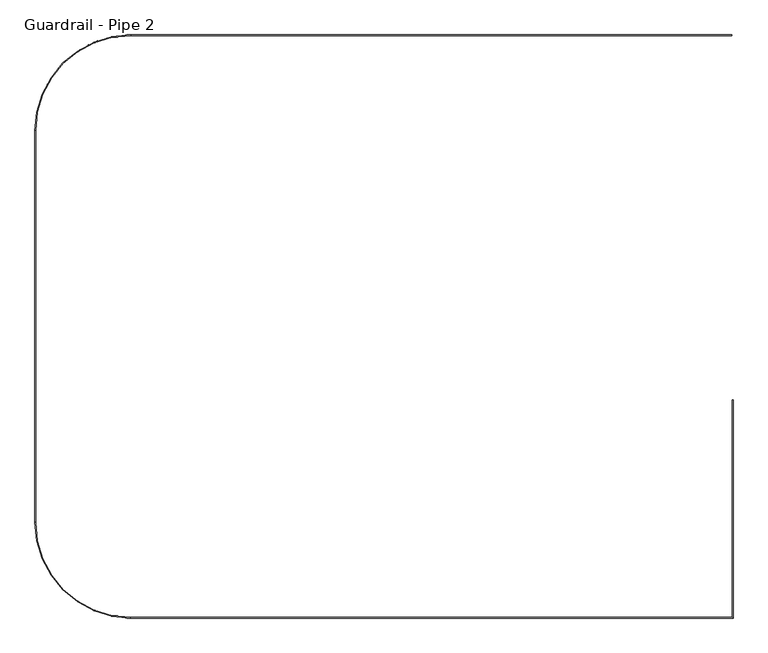
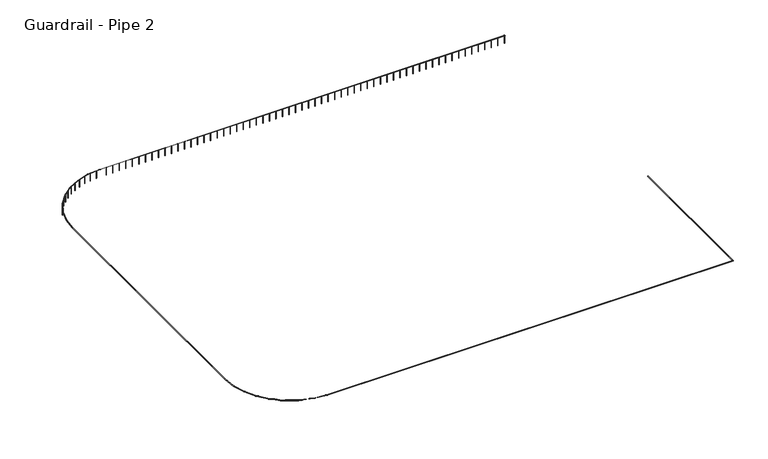
"""IFC4 building model written with IfcOpenShell, lengths in millimetres: railing geometry, Guardrail - Pipe 2."""

from ifc_helpers import new_model, si_unit, point, frame, frame_2d, origin, place, context, project, spatial, circle_curve, ellipse_curve, trimmed, segment, composite_curve, outline, extrude, source, transform, mapped, element, save
from ifc_brep_helpers import plane_surface, cylinder_surface, revolved_surface, advanced_brep


def guardrail_pipe_2_62cb1b1b(model_context):
    return source(origin(), model_context, "Body", "SolidModel", [
        advanced_brep(
        [(242029.0025869, -519259.3580223, 5314.95), (242067.1025869, -519297.4580223, 5314.95), (204125.852587, -519297.4580223, 5314.95), (204125.852587, -519259.3580223, 5314.95), (198125.1025869, -513258.6080223, 5314.95), (198087.0025869, -513258.6080223, 5314.95), (198087.0025869, -488569.8080224, 5314.95), (198125.1025869, -488569.8080224, 5314.95), (204125.852587, -482569.0580223, 5314.95), (204125.852587, -482530.9580223, 5314.95), (241971.8525869, -482530.9580223, 5314.95), (241971.8525869, -482569.0580223, 5314.95), (242067.1025869, -505548.1205223, 5314.95), (242029.0025869, -505548.1205223, 5314.95)],
        [
            (0, 1, ellipse_curve(frame((242048.0525869, -519278.4080223, 5314.95), z_axis=(-0.7071067811865498, -0.7071067811865451, 0.0), x_axis=(0.7071067811865452, -0.7071067811865498, 0.0)), 26.9407684, 19.05)),
            (1, 2),
            (2, 3, circle_curve(frame((204125.852587, -519278.4080223, 5314.95), z_axis=(1.0, 0.0, 0.0), x_axis=(0.0, 1.0, 0.0)), 19.05)),
            (3, 0),
            (1, 0, ellipse_curve(frame((242048.0525869, -519278.4080223, 5314.95), z_axis=(-0.7071067811865498, -0.7071067811865451, 0.0), x_axis=(0.7071067811865452, -0.7071067811865498, 0.0)), 26.9407684, 19.05)),
            (3, 2, circle_curve(frame((204125.852587, -519278.4080223, 5314.95), z_axis=(1.0, 0.0, 0.0), x_axis=(0.0, 1.0, 0.0)), 19.05)),
            (4, 3, circle_curve(frame((204125.852587, -513258.6080223, 5314.95), z_axis=(0.0, 0.0, 1.0), x_axis=(0.0, -1.0, 0.0)), 6000.75)),
            (2, 5, circle_curve(frame((204125.852587, -513258.6080223, 5314.95), z_axis=(0.0, 0.0, -1.0), x_axis=(0.0, -1.0, 0.0)), 6038.85)),
            (5, 4, circle_curve(frame((198106.0525869, -513258.6080223, 5314.95), z_axis=(0.0, -1.0, 0.0), x_axis=(1.0, 0.0, 0.0)), 19.05)),
            (4, 5, circle_curve(frame((198106.0525869, -513258.6080223, 5314.95), z_axis=(0.0, -1.0, 0.0), x_axis=(1.0, 0.0, 0.0)), 19.05)),
            (5, 6),
            (6, 7, circle_curve(frame((198106.0525869, -488569.8080224, 5314.95), z_axis=(0.0, -1.0, 0.0), x_axis=(1.0, 0.0, 0.0)), 19.05)),
            (7, 4),
            (7, 6, circle_curve(frame((198106.0525869, -488569.8080224, 5314.95), z_axis=(0.0, -1.0, 0.0), x_axis=(1.0, 0.0, 0.0)), 19.05)),
            (8, 7, circle_curve(frame((204125.852587, -488569.8080224, 5314.95), z_axis=(0.0, 0.0, 1.0), x_axis=(-1.0, 0.0, 0.0)), 6000.75)),
            (6, 9, circle_curve(frame((204125.852587, -488569.8080224, 5314.95), z_axis=(0.0, 0.0, -1.0), x_axis=(-1.0, 0.0, 0.0)), 6038.85)),
            (9, 8, circle_curve(frame((204125.852587, -482550.0080223, 5314.95), z_axis=(-1.0, 0.0, 0.0), x_axis=(0.0, -1.0, 0.0)), 19.05)),
            (8, 9, circle_curve(frame((204125.852587, -482550.0080223, 5314.95), z_axis=(-1.0, 0.0, 0.0), x_axis=(0.0, -1.0, 0.0)), 19.05)),
            (10, 11, circle_curve(frame((241971.8525869, -482550.0080223, 5314.95), z_axis=(1.0, 0.0, 0.0), x_axis=(0.0, -1.0, 0.0)), 19.05)),
            (11, 10, circle_curve(frame((241971.8525869, -482550.0080223, 5314.95), z_axis=(1.0, 0.0, 0.0), x_axis=(0.0, -1.0, 0.0)), 19.05)),
            (9, 10),
            (11, 8),
            (12, 13, circle_curve(frame((242048.0525869, -505548.1205223, 5314.95), z_axis=(0.0, 1.0, 0.0), x_axis=(-1.0, 0.0, 0.0)), 19.05)),
            (13, 12, circle_curve(frame((242048.0525869, -505548.1205223, 5314.95), z_axis=(0.0, 1.0, 0.0), x_axis=(-1.0, 0.0, 0.0)), 19.05)),
            (12, 1),
            (0, 13),
        ],
        [
            cylinder_surface(frame((242048.0525869, -519278.4080223, 5314.95), z_axis=(1.0, 0.0, 0.0), x_axis=(0.0, 1.0, 0.0)), 19.05),
            revolved_surface(trimmed(ellipse_curve(frame((204125.852587, -519278.4080223, 5314.95), z_axis=(1.0, 0.0, 0.0), x_axis=(0.0, 1.0, 0.0)), 19.05, 19.05), [point((204125.852587, -519297.4580223, 5314.95))], [point((204125.852587, -519259.3580223, 5314.95))], True, "CARTESIAN"), (204125.852587, -513258.6080223, 5334.0), (0.0, 0.0, -1.0)),
            revolved_surface(trimmed(ellipse_curve(frame((204125.852587, -519278.4080223, 5314.95), z_axis=(1.0, 0.0, 0.0), x_axis=(0.0, 1.0, 0.0)), 19.05, 19.05), [point((204125.852587, -519259.3580223, 5314.95))], [point((204125.852587, -519297.4580223, 5314.95))], True, "CARTESIAN"), (204125.852587, -513258.6080223, 5334.0), (0.0, 0.0, -1.0)),
            cylinder_surface(frame((198106.0525869, -513258.6080223, 5314.95), z_axis=(0.0, -1.0, 0.0), x_axis=(1.0, 0.0, 0.0)), 19.05),
            revolved_surface(trimmed(ellipse_curve(frame((198106.0525869, -488569.8080224, 5314.95), z_axis=(0.0, -1.0, 0.0), x_axis=(1.0, 0.0, 0.0)), 19.05, 19.05), [point((198087.0025869, -488569.8080224, 5314.95))], [point((198125.1025869, -488569.8080224, 5314.95))], True, "CARTESIAN"), (204125.852587, -488569.8080224, 5334.0), (0.0, 0.0, -1.0)),
            revolved_surface(trimmed(ellipse_curve(frame((198106.0525869, -488569.8080224, 5314.95), z_axis=(0.0, -1.0, 0.0), x_axis=(1.0, 0.0, 0.0)), 19.05, 19.05), [point((198125.1025869, -488569.8080224, 5314.95))], [point((198087.0025869, -488569.8080224, 5314.95))], True, "CARTESIAN"), (204125.852587, -488569.8080224, 5334.0), (0.0, 0.0, -1.0)),
            plane_surface(frame((241971.8525869, -482550.0080223, 5334.0), z_axis=(1.0, 0.0, 0.0), x_axis=(0.0, 1.0, 0.0))),
            cylinder_surface(frame((204125.852587, -482550.0080223, 5314.95), z_axis=(-1.0, 0.0, 0.0), x_axis=(0.0, -1.0, 0.0)), 19.05),
            plane_surface(frame((242048.0525869, -505548.1205223, 5334.0), z_axis=(0.0, 1.0, 0.0), x_axis=(0.0, 0.0, -1.0))),
            cylinder_surface(frame((242048.0525869, -505548.1205223, 5314.95), z_axis=(0.0, 1.0, 0.0), x_axis=(-1.0, 0.0, 0.0)), 19.05),
        ],
        [
            (0, [[1, 2, 3, 4]]),
            (0, [[5, -4, 6, -2]]),
            (1, [[7, -3, 8, 9]]),
            (2, [[-8, -6, -7, 10]]),
            (3, [[-9, 11, 12, 13]]),
            (3, [[-10, -13, 14, -11]]),
            (4, [[15, -12, 16, 17]]),
            (5, [[-16, -14, -15, 18]]),
            (6, [[19, 20]]),
            (7, [[-17, 21, -20, 22]]),
            (7, [[-18, -22, -19, -21]]),
            (8, [[23, 24]]),
            (9, [[-23, 25, -1, 26]]),
            (9, [[-24, -26, -5, -25]]),
        ],
    ),
        extrude(outline(composite_curve([segment(trimmed(circle_curve(frame_2d((241921.052587, -482550.0080223)), 12.7), [point((241921.052587, -482537.3080223))], [point((241921.052587, -482562.7080223))], False, "CARTESIAN"), True, "CONTINUOUS"), segment(trimmed(circle_curve(frame_2d((241921.052587, -482550.0080223)), 12.7), [point((241921.052587, -482562.7080223))], [point((241921.052587, -482537.3080223))], False, "CARTESIAN"), True, "CONTINUOUS")], self_intersect=False)), frame((0.0, 0.0, 4572.0), z_axis=(0.0, 0.0, 1.0), x_axis=(1.0, 0.0, 0.0)), (0.0, 0.0, 1.0), 723.9),
        extrude(outline(composite_curve([segment(trimmed(circle_curve(frame_2d((241311.452587, -482550.0080223)), 12.7), [point((241311.452587, -482537.3080223))], [point((241311.452587, -482562.7080223))], False, "CARTESIAN"), True, "CONTINUOUS"), segment(trimmed(circle_curve(frame_2d((241311.452587, -482550.0080223)), 12.7), [point((241311.452587, -482562.7080223))], [point((241311.452587, -482537.3080223))], False, "CARTESIAN"), True, "CONTINUOUS")], self_intersect=False)), frame((0.0, 0.0, 4572.0), z_axis=(0.0, 0.0, 1.0), x_axis=(1.0, 0.0, 0.0)), (0.0, 0.0, 1.0), 723.9),
        extrude(outline(composite_curve([segment(trimmed(circle_curve(frame_2d((240701.852587, -482550.0080223)), 12.7), [point((240701.852587, -482537.3080223))], [point((240701.852587, -482562.7080223))], False, "CARTESIAN"), True, "CONTINUOUS"), segment(trimmed(circle_curve(frame_2d((240701.852587, -482550.0080223)), 12.7), [point((240701.852587, -482562.7080223))], [point((240701.852587, -482537.3080223))], False, "CARTESIAN"), True, "CONTINUOUS")], self_intersect=False)), frame((0.0, 0.0, 4572.0), z_axis=(0.0, 0.0, 1.0), x_axis=(1.0, 0.0, 0.0)), (0.0, 0.0, 1.0), 723.9),
        extrude(outline(composite_curve([segment(trimmed(circle_curve(frame_2d((240092.252587, -482550.0080223)), 12.7), [point((240092.252587, -482537.3080223))], [point((240092.252587, -482562.7080223))], False, "CARTESIAN"), True, "CONTINUOUS"), segment(trimmed(circle_curve(frame_2d((240092.252587, -482550.0080223)), 12.7), [point((240092.252587, -482562.7080223))], [point((240092.252587, -482537.3080223))], False, "CARTESIAN"), True, "CONTINUOUS")], self_intersect=False)), frame((0.0, 0.0, 4572.0), z_axis=(0.0, 0.0, 1.0), x_axis=(1.0, 0.0, 0.0)), (0.0, 0.0, 1.0), 723.9),
        extrude(outline(composite_curve([segment(trimmed(circle_curve(frame_2d((239482.652587, -482550.0080223)), 12.7), [point((239482.652587, -482537.3080223))], [point((239482.652587, -482562.7080223))], False, "CARTESIAN"), True, "CONTINUOUS"), segment(trimmed(circle_curve(frame_2d((239482.652587, -482550.0080223)), 12.7), [point((239482.652587, -482562.7080223))], [point((239482.652587, -482537.3080223))], False, "CARTESIAN"), True, "CONTINUOUS")], self_intersect=False)), frame((0.0, 0.0, 4572.0), z_axis=(0.0, 0.0, 1.0), x_axis=(1.0, 0.0, 0.0)), (0.0, 0.0, 1.0), 723.9),
        extrude(outline(composite_curve([segment(trimmed(circle_curve(frame_2d((238873.052587, -482550.0080223)), 12.7), [point((238873.052587, -482537.3080223))], [point((238873.052587, -482562.7080223))], False, "CARTESIAN"), True, "CONTINUOUS"), segment(trimmed(circle_curve(frame_2d((238873.052587, -482550.0080223)), 12.7), [point((238873.052587, -482562.7080223))], [point((238873.052587, -482537.3080223))], False, "CARTESIAN"), True, "CONTINUOUS")], self_intersect=False)), frame((0.0, 0.0, 4572.0), z_axis=(0.0, 0.0, 1.0), x_axis=(1.0, 0.0, 0.0)), (0.0, 0.0, 1.0), 723.9),
        extrude(outline(composite_curve([segment(trimmed(circle_curve(frame_2d((238263.452587, -482550.0080223)), 12.7), [point((238263.452587, -482537.3080223))], [point((238263.452587, -482562.7080223))], False, "CARTESIAN"), True, "CONTINUOUS"), segment(trimmed(circle_curve(frame_2d((238263.452587, -482550.0080223)), 12.7), [point((238263.452587, -482562.7080223))], [point((238263.452587, -482537.3080223))], False, "CARTESIAN"), True, "CONTINUOUS")], self_intersect=False)), frame((0.0, 0.0, 4572.0), z_axis=(0.0, 0.0, 1.0), x_axis=(1.0, 0.0, 0.0)), (0.0, 0.0, 1.0), 723.9),
        extrude(outline(composite_curve([segment(trimmed(circle_curve(frame_2d((237653.852587, -482550.0080223)), 12.7), [point((237653.852587, -482537.3080223))], [point((237653.852587, -482562.7080223))], False, "CARTESIAN"), True, "CONTINUOUS"), segment(trimmed(circle_curve(frame_2d((237653.852587, -482550.0080223)), 12.7), [point((237653.852587, -482562.7080223))], [point((237653.852587, -482537.3080223))], False, "CARTESIAN"), True, "CONTINUOUS")], self_intersect=False)), frame((0.0, 0.0, 4572.0), z_axis=(0.0, 0.0, 1.0), x_axis=(1.0, 0.0, 0.0)), (0.0, 0.0, 1.0), 723.9),
        extrude(outline(composite_curve([segment(trimmed(circle_curve(frame_2d((237044.252587, -482550.0080223)), 12.7), [point((237044.252587, -482537.3080223))], [point((237044.252587, -482562.7080223))], False, "CARTESIAN"), True, "CONTINUOUS"), segment(trimmed(circle_curve(frame_2d((237044.252587, -482550.0080223)), 12.7), [point((237044.252587, -482562.7080223))], [point((237044.252587, -482537.3080223))], False, "CARTESIAN"), True, "CONTINUOUS")], self_intersect=False)), frame((0.0, 0.0, 4572.0), z_axis=(0.0, 0.0, 1.0), x_axis=(1.0, 0.0, 0.0)), (0.0, 0.0, 1.0), 723.9),
        extrude(outline(composite_curve([segment(trimmed(circle_curve(frame_2d((236434.652587, -482550.0080223)), 12.7), [point((236434.652587, -482537.3080223))], [point((236434.652587, -482562.7080223))], False, "CARTESIAN"), True, "CONTINUOUS"), segment(trimmed(circle_curve(frame_2d((236434.652587, -482550.0080223)), 12.7), [point((236434.652587, -482562.7080223))], [point((236434.652587, -482537.3080223))], False, "CARTESIAN"), True, "CONTINUOUS")], self_intersect=False)), frame((0.0, 0.0, 4572.0), z_axis=(0.0, 0.0, 1.0), x_axis=(1.0, 0.0, 0.0)), (0.0, 0.0, 1.0), 723.9),
        extrude(outline(composite_curve([segment(trimmed(circle_curve(frame_2d((235825.052587, -482550.0080223)), 12.7), [point((235825.052587, -482537.3080223))], [point((235825.052587, -482562.7080223))], False, "CARTESIAN"), True, "CONTINUOUS"), segment(trimmed(circle_curve(frame_2d((235825.052587, -482550.0080223)), 12.7), [point((235825.052587, -482562.7080223))], [point((235825.052587, -482537.3080223))], False, "CARTESIAN"), True, "CONTINUOUS")], self_intersect=False)), frame((0.0, 0.0, 4572.0), z_axis=(0.0, 0.0, 1.0), x_axis=(1.0, 0.0, 0.0)), (0.0, 0.0, 1.0), 723.9),
        extrude(outline(composite_curve([segment(trimmed(circle_curve(frame_2d((235215.452587, -482550.0080223)), 12.7), [point((235215.452587, -482537.3080223))], [point((235215.452587, -482562.7080223))], False, "CARTESIAN"), True, "CONTINUOUS"), segment(trimmed(circle_curve(frame_2d((235215.452587, -482550.0080223)), 12.7), [point((235215.452587, -482562.7080223))], [point((235215.452587, -482537.3080223))], False, "CARTESIAN"), True, "CONTINUOUS")], self_intersect=False)), frame((0.0, 0.0, 4572.0), z_axis=(0.0, 0.0, 1.0), x_axis=(1.0, 0.0, 0.0)), (0.0, 0.0, 1.0), 723.9),
        extrude(outline(composite_curve([segment(trimmed(circle_curve(frame_2d((234605.852587, -482550.0080223)), 12.7), [point((234605.852587, -482537.3080223))], [point((234605.852587, -482562.7080223))], False, "CARTESIAN"), True, "CONTINUOUS"), segment(trimmed(circle_curve(frame_2d((234605.852587, -482550.0080223)), 12.7), [point((234605.852587, -482562.7080223))], [point((234605.852587, -482537.3080223))], False, "CARTESIAN"), True, "CONTINUOUS")], self_intersect=False)), frame((0.0, 0.0, 4572.0), z_axis=(0.0, 0.0, 1.0), x_axis=(1.0, 0.0, 0.0)), (0.0, 0.0, 1.0), 723.9),
        extrude(outline(composite_curve([segment(trimmed(circle_curve(frame_2d((233996.252587, -482550.0080223)), 12.7), [point((233996.252587, -482537.3080223))], [point((233996.252587, -482562.7080223))], False, "CARTESIAN"), True, "CONTINUOUS"), segment(trimmed(circle_curve(frame_2d((233996.252587, -482550.0080223)), 12.7), [point((233996.252587, -482562.7080223))], [point((233996.252587, -482537.3080223))], False, "CARTESIAN"), True, "CONTINUOUS")], self_intersect=False)), frame((0.0, 0.0, 4572.0), z_axis=(0.0, 0.0, 1.0), x_axis=(1.0, 0.0, 0.0)), (0.0, 0.0, 1.0), 723.9),
        extrude(outline(composite_curve([segment(trimmed(circle_curve(frame_2d((233386.652587, -482550.0080223)), 12.7), [point((233386.652587, -482537.3080223))], [point((233386.652587, -482562.7080223))], False, "CARTESIAN"), True, "CONTINUOUS"), segment(trimmed(circle_curve(frame_2d((233386.652587, -482550.0080223)), 12.7), [point((233386.652587, -482562.7080223))], [point((233386.652587, -482537.3080223))], False, "CARTESIAN"), True, "CONTINUOUS")], self_intersect=False)), frame((0.0, 0.0, 4572.0), z_axis=(0.0, 0.0, 1.0), x_axis=(1.0, 0.0, 0.0)), (0.0, 0.0, 1.0), 723.9),
        extrude(outline(composite_curve([segment(trimmed(circle_curve(frame_2d((232777.052587, -482550.0080223)), 12.7), [point((232777.052587, -482537.3080223))], [point((232777.052587, -482562.7080223))], False, "CARTESIAN"), True, "CONTINUOUS"), segment(trimmed(circle_curve(frame_2d((232777.052587, -482550.0080223)), 12.7), [point((232777.052587, -482562.7080223))], [point((232777.052587, -482537.3080223))], False, "CARTESIAN"), True, "CONTINUOUS")], self_intersect=False)), frame((0.0, 0.0, 4572.0), z_axis=(0.0, 0.0, 1.0), x_axis=(1.0, 0.0, 0.0)), (0.0, 0.0, 1.0), 723.9),
        extrude(outline(composite_curve([segment(trimmed(circle_curve(frame_2d((232167.452587, -482550.0080223)), 12.7), [point((232167.452587, -482537.3080223))], [point((232167.452587, -482562.7080223))], False, "CARTESIAN"), True, "CONTINUOUS"), segment(trimmed(circle_curve(frame_2d((232167.452587, -482550.0080223)), 12.7), [point((232167.452587, -482562.7080223))], [point((232167.452587, -482537.3080223))], False, "CARTESIAN"), True, "CONTINUOUS")], self_intersect=False)), frame((0.0, 0.0, 4572.0), z_axis=(0.0, 0.0, 1.0), x_axis=(1.0, 0.0, 0.0)), (0.0, 0.0, 1.0), 723.9),
        extrude(outline(composite_curve([segment(trimmed(circle_curve(frame_2d((231557.852587, -482550.0080223)), 12.7), [point((231557.852587, -482537.3080223))], [point((231557.852587, -482562.7080223))], False, "CARTESIAN"), True, "CONTINUOUS"), segment(trimmed(circle_curve(frame_2d((231557.852587, -482550.0080223)), 12.7), [point((231557.852587, -482562.7080223))], [point((231557.852587, -482537.3080223))], False, "CARTESIAN"), True, "CONTINUOUS")], self_intersect=False)), frame((0.0, 0.0, 4572.0), z_axis=(0.0, 0.0, 1.0), x_axis=(1.0, 0.0, 0.0)), (0.0, 0.0, 1.0), 723.9),
        extrude(outline(composite_curve([segment(trimmed(circle_curve(frame_2d((230948.252587, -482550.0080223)), 12.7), [point((230948.252587, -482537.3080223))], [point((230948.252587, -482562.7080223))], False, "CARTESIAN"), True, "CONTINUOUS"), segment(trimmed(circle_curve(frame_2d((230948.252587, -482550.0080223)), 12.7), [point((230948.252587, -482562.7080223))], [point((230948.252587, -482537.3080223))], False, "CARTESIAN"), True, "CONTINUOUS")], self_intersect=False)), frame((0.0, 0.0, 4572.0), z_axis=(0.0, 0.0, 1.0), x_axis=(1.0, 0.0, 0.0)), (0.0, 0.0, 1.0), 723.9),
        extrude(outline(composite_curve([segment(trimmed(circle_curve(frame_2d((230338.652587, -482550.0080223)), 12.7), [point((230338.652587, -482537.3080223))], [point((230338.652587, -482562.7080223))], False, "CARTESIAN"), True, "CONTINUOUS"), segment(trimmed(circle_curve(frame_2d((230338.652587, -482550.0080223)), 12.7), [point((230338.652587, -482562.7080223))], [point((230338.652587, -482537.3080223))], False, "CARTESIAN"), True, "CONTINUOUS")], self_intersect=False)), frame((0.0, 0.0, 4572.0), z_axis=(0.0, 0.0, 1.0), x_axis=(1.0, 0.0, 0.0)), (0.0, 0.0, 1.0), 723.9),
        extrude(outline(composite_curve([segment(trimmed(circle_curve(frame_2d((229729.052587, -482550.0080223)), 12.7), [point((229729.052587, -482537.3080223))], [point((229729.052587, -482562.7080223))], False, "CARTESIAN"), True, "CONTINUOUS"), segment(trimmed(circle_curve(frame_2d((229729.052587, -482550.0080223)), 12.7), [point((229729.052587, -482562.7080223))], [point((229729.052587, -482537.3080223))], False, "CARTESIAN"), True, "CONTINUOUS")], self_intersect=False)), frame((0.0, 0.0, 4572.0), z_axis=(0.0, 0.0, 1.0), x_axis=(1.0, 0.0, 0.0)), (0.0, 0.0, 1.0), 723.9),
        extrude(outline(composite_curve([segment(trimmed(circle_curve(frame_2d((229119.452587, -482550.0080223)), 12.7), [point((229119.452587, -482537.3080223))], [point((229119.452587, -482562.7080223))], False, "CARTESIAN"), True, "CONTINUOUS"), segment(trimmed(circle_curve(frame_2d((229119.452587, -482550.0080223)), 12.7), [point((229119.452587, -482562.7080223))], [point((229119.452587, -482537.3080223))], False, "CARTESIAN"), True, "CONTINUOUS")], self_intersect=False)), frame((0.0, 0.0, 4572.0), z_axis=(0.0, 0.0, 1.0), x_axis=(1.0, 0.0, 0.0)), (0.0, 0.0, 1.0), 723.9),
        extrude(outline(composite_curve([segment(trimmed(circle_curve(frame_2d((228509.852587, -482550.0080223)), 12.7), [point((228509.852587, -482537.3080223))], [point((228509.852587, -482562.7080223))], False, "CARTESIAN"), True, "CONTINUOUS"), segment(trimmed(circle_curve(frame_2d((228509.852587, -482550.0080223)), 12.7), [point((228509.852587, -482562.7080223))], [point((228509.852587, -482537.3080223))], False, "CARTESIAN"), True, "CONTINUOUS")], self_intersect=False)), frame((0.0, 0.0, 4572.0), z_axis=(0.0, 0.0, 1.0), x_axis=(1.0, 0.0, 0.0)), (0.0, 0.0, 1.0), 723.9),
        extrude(outline(composite_curve([segment(trimmed(circle_curve(frame_2d((227900.252587, -482550.0080223)), 12.7), [point((227900.252587, -482537.3080223))], [point((227900.252587, -482562.7080223))], False, "CARTESIAN"), True, "CONTINUOUS"), segment(trimmed(circle_curve(frame_2d((227900.252587, -482550.0080223)), 12.7), [point((227900.252587, -482562.7080223))], [point((227900.252587, -482537.3080223))], False, "CARTESIAN"), True, "CONTINUOUS")], self_intersect=False)), frame((0.0, 0.0, 4572.0), z_axis=(0.0, 0.0, 1.0), x_axis=(1.0, 0.0, 0.0)), (0.0, 0.0, 1.0), 723.9),
        extrude(outline(composite_curve([segment(trimmed(circle_curve(frame_2d((227290.652587, -482550.0080223)), 12.7), [point((227290.652587, -482537.3080223))], [point((227290.652587, -482562.7080223))], False, "CARTESIAN"), True, "CONTINUOUS"), segment(trimmed(circle_curve(frame_2d((227290.652587, -482550.0080223)), 12.7), [point((227290.652587, -482562.7080223))], [point((227290.652587, -482537.3080223))], False, "CARTESIAN"), True, "CONTINUOUS")], self_intersect=False)), frame((0.0, 0.0, 4572.0), z_axis=(0.0, 0.0, 1.0), x_axis=(1.0, 0.0, 0.0)), (0.0, 0.0, 1.0), 723.9),
        extrude(outline(composite_curve([segment(trimmed(circle_curve(frame_2d((226681.052587, -482550.0080223)), 12.7), [point((226681.052587, -482537.3080223))], [point((226681.052587, -482562.7080223))], False, "CARTESIAN"), True, "CONTINUOUS"), segment(trimmed(circle_curve(frame_2d((226681.052587, -482550.0080223)), 12.7), [point((226681.052587, -482562.7080223))], [point((226681.052587, -482537.3080223))], False, "CARTESIAN"), True, "CONTINUOUS")], self_intersect=False)), frame((0.0, 0.0, 4572.0), z_axis=(0.0, 0.0, 1.0), x_axis=(1.0, 0.0, 0.0)), (0.0, 0.0, 1.0), 723.9),
        extrude(outline(composite_curve([segment(trimmed(circle_curve(frame_2d((226071.452587, -482550.0080223)), 12.7), [point((226071.452587, -482537.3080223))], [point((226071.452587, -482562.7080223))], False, "CARTESIAN"), True, "CONTINUOUS"), segment(trimmed(circle_curve(frame_2d((226071.452587, -482550.0080223)), 12.7), [point((226071.452587, -482562.7080223))], [point((226071.452587, -482537.3080223))], False, "CARTESIAN"), True, "CONTINUOUS")], self_intersect=False)), frame((0.0, 0.0, 4572.0), z_axis=(0.0, 0.0, 1.0), x_axis=(1.0, 0.0, 0.0)), (0.0, 0.0, 1.0), 723.9),
        extrude(outline(composite_curve([segment(trimmed(circle_curve(frame_2d((225461.852587, -482550.0080223)), 12.7), [point((225461.852587, -482537.3080223))], [point((225461.852587, -482562.7080223))], False, "CARTESIAN"), True, "CONTINUOUS"), segment(trimmed(circle_curve(frame_2d((225461.852587, -482550.0080223)), 12.7), [point((225461.852587, -482562.7080223))], [point((225461.852587, -482537.3080223))], False, "CARTESIAN"), True, "CONTINUOUS")], self_intersect=False)), frame((0.0, 0.0, 4572.0), z_axis=(0.0, 0.0, 1.0), x_axis=(1.0, 0.0, 0.0)), (0.0, 0.0, 1.0), 723.9),
        extrude(outline(composite_curve([segment(trimmed(circle_curve(frame_2d((224852.252587, -482550.0080223)), 12.7), [point((224852.252587, -482537.3080223))], [point((224852.252587, -482562.7080223))], False, "CARTESIAN"), True, "CONTINUOUS"), segment(trimmed(circle_curve(frame_2d((224852.252587, -482550.0080223)), 12.7), [point((224852.252587, -482562.7080223))], [point((224852.252587, -482537.3080223))], False, "CARTESIAN"), True, "CONTINUOUS")], self_intersect=False)), frame((0.0, 0.0, 4572.0), z_axis=(0.0, 0.0, 1.0), x_axis=(1.0, 0.0, 0.0)), (0.0, 0.0, 1.0), 723.9),
        extrude(outline(composite_curve([segment(trimmed(circle_curve(frame_2d((224242.652587, -482550.0080223)), 12.7), [point((224242.652587, -482537.3080223))], [point((224242.652587, -482562.7080223))], False, "CARTESIAN"), True, "CONTINUOUS"), segment(trimmed(circle_curve(frame_2d((224242.652587, -482550.0080223)), 12.7), [point((224242.652587, -482562.7080223))], [point((224242.652587, -482537.3080223))], False, "CARTESIAN"), True, "CONTINUOUS")], self_intersect=False)), frame((0.0, 0.0, 4572.0), z_axis=(0.0, 0.0, 1.0), x_axis=(1.0, 0.0, 0.0)), (0.0, 0.0, 1.0), 723.9),
        extrude(outline(composite_curve([segment(trimmed(circle_curve(frame_2d((223633.052587, -482550.0080223)), 12.7), [point((223633.052587, -482537.3080223))], [point((223633.052587, -482562.7080223))], False, "CARTESIAN"), True, "CONTINUOUS"), segment(trimmed(circle_curve(frame_2d((223633.052587, -482550.0080223)), 12.7), [point((223633.052587, -482562.7080223))], [point((223633.052587, -482537.3080223))], False, "CARTESIAN"), True, "CONTINUOUS")], self_intersect=False)), frame((0.0, 0.0, 4572.0), z_axis=(0.0, 0.0, 1.0), x_axis=(1.0, 0.0, 0.0)), (0.0, 0.0, 1.0), 723.9),
        extrude(outline(composite_curve([segment(trimmed(circle_curve(frame_2d((223023.452587, -482550.0080223)), 12.7), [point((223023.452587, -482537.3080223))], [point((223023.452587, -482562.7080223))], False, "CARTESIAN"), True, "CONTINUOUS"), segment(trimmed(circle_curve(frame_2d((223023.452587, -482550.0080223)), 12.7), [point((223023.452587, -482562.7080223))], [point((223023.452587, -482537.3080223))], False, "CARTESIAN"), True, "CONTINUOUS")], self_intersect=False)), frame((0.0, 0.0, 4572.0), z_axis=(0.0, 0.0, 1.0), x_axis=(1.0, 0.0, 0.0)), (0.0, 0.0, 1.0), 723.9),
        extrude(outline(composite_curve([segment(trimmed(circle_curve(frame_2d((222413.852587, -482550.0080223)), 12.7), [point((222413.852587, -482537.3080223))], [point((222413.852587, -482562.7080223))], False, "CARTESIAN"), True, "CONTINUOUS"), segment(trimmed(circle_curve(frame_2d((222413.852587, -482550.0080223)), 12.7), [point((222413.852587, -482562.7080223))], [point((222413.852587, -482537.3080223))], False, "CARTESIAN"), True, "CONTINUOUS")], self_intersect=False)), frame((0.0, 0.0, 4572.0), z_axis=(0.0, 0.0, 1.0), x_axis=(1.0, 0.0, 0.0)), (0.0, 0.0, 1.0), 723.9),
        extrude(outline(composite_curve([segment(trimmed(circle_curve(frame_2d((221804.252587, -482550.0080223)), 12.7), [point((221804.252587, -482537.3080223))], [point((221804.252587, -482562.7080223))], False, "CARTESIAN"), True, "CONTINUOUS"), segment(trimmed(circle_curve(frame_2d((221804.252587, -482550.0080223)), 12.7), [point((221804.252587, -482562.7080223))], [point((221804.252587, -482537.3080223))], False, "CARTESIAN"), True, "CONTINUOUS")], self_intersect=False)), frame((0.0, 0.0, 4572.0), z_axis=(0.0, 0.0, 1.0), x_axis=(1.0, 0.0, 0.0)), (0.0, 0.0, 1.0), 723.9),
        extrude(outline(composite_curve([segment(trimmed(circle_curve(frame_2d((221194.652587, -482550.0080223)), 12.7), [point((221194.652587, -482537.3080223))], [point((221194.652587, -482562.7080223))], False, "CARTESIAN"), True, "CONTINUOUS"), segment(trimmed(circle_curve(frame_2d((221194.652587, -482550.0080223)), 12.7), [point((221194.652587, -482562.7080223))], [point((221194.652587, -482537.3080223))], False, "CARTESIAN"), True, "CONTINUOUS")], self_intersect=False)), frame((0.0, 0.0, 4572.0), z_axis=(0.0, 0.0, 1.0), x_axis=(1.0, 0.0, 0.0)), (0.0, 0.0, 1.0), 723.9),
        extrude(outline(composite_curve([segment(trimmed(circle_curve(frame_2d((220585.052587, -482550.0080223)), 12.7), [point((220585.052587, -482537.3080223))], [point((220585.052587, -482562.7080223))], False, "CARTESIAN"), True, "CONTINUOUS"), segment(trimmed(circle_curve(frame_2d((220585.052587, -482550.0080223)), 12.7), [point((220585.052587, -482562.7080223))], [point((220585.052587, -482537.3080223))], False, "CARTESIAN"), True, "CONTINUOUS")], self_intersect=False)), frame((0.0, 0.0, 4572.0), z_axis=(0.0, 0.0, 1.0), x_axis=(1.0, 0.0, 0.0)), (0.0, 0.0, 1.0), 723.9),
        extrude(outline(composite_curve([segment(trimmed(circle_curve(frame_2d((219975.452587, -482550.0080223)), 12.7), [point((219975.452587, -482537.3080223))], [point((219975.452587, -482562.7080223))], False, "CARTESIAN"), True, "CONTINUOUS"), segment(trimmed(circle_curve(frame_2d((219975.452587, -482550.0080223)), 12.7), [point((219975.452587, -482562.7080223))], [point((219975.452587, -482537.3080223))], False, "CARTESIAN"), True, "CONTINUOUS")], self_intersect=False)), frame((0.0, 0.0, 4572.0), z_axis=(0.0, 0.0, 1.0), x_axis=(1.0, 0.0, 0.0)), (0.0, 0.0, 1.0), 723.9),
        extrude(outline(composite_curve([segment(trimmed(circle_curve(frame_2d((219365.852587, -482550.0080223)), 12.7), [point((219365.852587, -482537.3080223))], [point((219365.852587, -482562.7080223))], False, "CARTESIAN"), True, "CONTINUOUS"), segment(trimmed(circle_curve(frame_2d((219365.852587, -482550.0080223)), 12.7), [point((219365.852587, -482562.7080223))], [point((219365.852587, -482537.3080223))], False, "CARTESIAN"), True, "CONTINUOUS")], self_intersect=False)), frame((0.0, 0.0, 4572.0), z_axis=(0.0, 0.0, 1.0), x_axis=(1.0, 0.0, 0.0)), (0.0, 0.0, 1.0), 723.9),
        extrude(outline(composite_curve([segment(trimmed(circle_curve(frame_2d((218756.252587, -482550.0080223)), 12.7), [point((218756.252587, -482537.3080223))], [point((218756.252587, -482562.7080223))], False, "CARTESIAN"), True, "CONTINUOUS"), segment(trimmed(circle_curve(frame_2d((218756.252587, -482550.0080223)), 12.7), [point((218756.252587, -482562.7080223))], [point((218756.252587, -482537.3080223))], False, "CARTESIAN"), True, "CONTINUOUS")], self_intersect=False)), frame((0.0, 0.0, 4572.0), z_axis=(0.0, 0.0, 1.0), x_axis=(1.0, 0.0, 0.0)), (0.0, 0.0, 1.0), 723.9),
        extrude(outline(composite_curve([segment(trimmed(circle_curve(frame_2d((218146.652587, -482550.0080223)), 12.7), [point((218146.652587, -482537.3080223))], [point((218146.652587, -482562.7080223))], False, "CARTESIAN"), True, "CONTINUOUS"), segment(trimmed(circle_curve(frame_2d((218146.652587, -482550.0080223)), 12.7), [point((218146.652587, -482562.7080223))], [point((218146.652587, -482537.3080223))], False, "CARTESIAN"), True, "CONTINUOUS")], self_intersect=False)), frame((0.0, 0.0, 4572.0), z_axis=(0.0, 0.0, 1.0), x_axis=(1.0, 0.0, 0.0)), (0.0, 0.0, 1.0), 723.9),
        extrude(outline(composite_curve([segment(trimmed(circle_curve(frame_2d((217537.052587, -482550.0080223)), 12.7), [point((217537.052587, -482537.3080223))], [point((217537.052587, -482562.7080223))], False, "CARTESIAN"), True, "CONTINUOUS"), segment(trimmed(circle_curve(frame_2d((217537.052587, -482550.0080223)), 12.7), [point((217537.052587, -482562.7080223))], [point((217537.052587, -482537.3080223))], False, "CARTESIAN"), True, "CONTINUOUS")], self_intersect=False)), frame((0.0, 0.0, 4572.0), z_axis=(0.0, 0.0, 1.0), x_axis=(1.0, 0.0, 0.0)), (0.0, 0.0, 1.0), 723.9),
        extrude(outline(composite_curve([segment(trimmed(circle_curve(frame_2d((216927.452587, -482550.0080223)), 12.7), [point((216927.452587, -482537.3080223))], [point((216927.452587, -482562.7080223))], False, "CARTESIAN"), True, "CONTINUOUS"), segment(trimmed(circle_curve(frame_2d((216927.452587, -482550.0080223)), 12.7), [point((216927.452587, -482562.7080223))], [point((216927.452587, -482537.3080223))], False, "CARTESIAN"), True, "CONTINUOUS")], self_intersect=False)), frame((0.0, 0.0, 4572.0), z_axis=(0.0, 0.0, 1.0), x_axis=(1.0, 0.0, 0.0)), (0.0, 0.0, 1.0), 723.9),
        extrude(outline(composite_curve([segment(trimmed(circle_curve(frame_2d((216317.852587, -482550.0080223)), 12.7), [point((216317.852587, -482537.3080223))], [point((216317.852587, -482562.7080223))], False, "CARTESIAN"), True, "CONTINUOUS"), segment(trimmed(circle_curve(frame_2d((216317.852587, -482550.0080223)), 12.7), [point((216317.852587, -482562.7080223))], [point((216317.852587, -482537.3080223))], False, "CARTESIAN"), True, "CONTINUOUS")], self_intersect=False)), frame((0.0, 0.0, 4572.0), z_axis=(0.0, 0.0, 1.0), x_axis=(1.0, 0.0, 0.0)), (0.0, 0.0, 1.0), 723.9),
        extrude(outline(composite_curve([segment(trimmed(circle_curve(frame_2d((215708.252587, -482550.0080223)), 12.7), [point((215708.252587, -482537.3080223))], [point((215708.252587, -482562.7080223))], False, "CARTESIAN"), True, "CONTINUOUS"), segment(trimmed(circle_curve(frame_2d((215708.252587, -482550.0080223)), 12.7), [point((215708.252587, -482562.7080223))], [point((215708.252587, -482537.3080223))], False, "CARTESIAN"), True, "CONTINUOUS")], self_intersect=False)), frame((0.0, 0.0, 4572.0), z_axis=(0.0, 0.0, 1.0), x_axis=(1.0, 0.0, 0.0)), (0.0, 0.0, 1.0), 723.9),
        extrude(outline(composite_curve([segment(trimmed(circle_curve(frame_2d((215098.652587, -482550.0080223)), 12.7), [point((215098.652587, -482537.3080223))], [point((215098.652587, -482562.7080223))], False, "CARTESIAN"), True, "CONTINUOUS"), segment(trimmed(circle_curve(frame_2d((215098.652587, -482550.0080223)), 12.7), [point((215098.652587, -482562.7080223))], [point((215098.652587, -482537.3080223))], False, "CARTESIAN"), True, "CONTINUOUS")], self_intersect=False)), frame((0.0, 0.0, 4572.0), z_axis=(0.0, 0.0, 1.0), x_axis=(1.0, 0.0, 0.0)), (0.0, 0.0, 1.0), 723.9),
        extrude(outline(composite_curve([segment(trimmed(circle_curve(frame_2d((214489.052587, -482550.0080223)), 12.7), [point((214489.052587, -482537.3080223))], [point((214489.052587, -482562.7080223))], False, "CARTESIAN"), True, "CONTINUOUS"), segment(trimmed(circle_curve(frame_2d((214489.052587, -482550.0080223)), 12.7), [point((214489.052587, -482562.7080223))], [point((214489.052587, -482537.3080223))], False, "CARTESIAN"), True, "CONTINUOUS")], self_intersect=False)), frame((0.0, 0.0, 4572.0), z_axis=(0.0, 0.0, 1.0), x_axis=(1.0, 0.0, 0.0)), (0.0, 0.0, 1.0), 723.9),
        extrude(outline(composite_curve([segment(trimmed(circle_curve(frame_2d((213879.452587, -482550.0080223)), 12.7), [point((213879.452587, -482537.3080223))], [point((213879.452587, -482562.7080223))], False, "CARTESIAN"), True, "CONTINUOUS"), segment(trimmed(circle_curve(frame_2d((213879.452587, -482550.0080223)), 12.7), [point((213879.452587, -482562.7080223))], [point((213879.452587, -482537.3080223))], False, "CARTESIAN"), True, "CONTINUOUS")], self_intersect=False)), frame((0.0, 0.0, 4572.0), z_axis=(0.0, 0.0, 1.0), x_axis=(1.0, 0.0, 0.0)), (0.0, 0.0, 1.0), 723.9),
        extrude(outline(composite_curve([segment(trimmed(circle_curve(frame_2d((213269.852587, -482550.0080223)), 12.7), [point((213269.852587, -482537.3080223))], [point((213269.852587, -482562.7080223))], False, "CARTESIAN"), True, "CONTINUOUS"), segment(trimmed(circle_curve(frame_2d((213269.852587, -482550.0080223)), 12.7), [point((213269.852587, -482562.7080223))], [point((213269.852587, -482537.3080223))], False, "CARTESIAN"), True, "CONTINUOUS")], self_intersect=False)), frame((0.0, 0.0, 4572.0), z_axis=(0.0, 0.0, 1.0), x_axis=(1.0, 0.0, 0.0)), (0.0, 0.0, 1.0), 723.9),
        extrude(outline(composite_curve([segment(trimmed(circle_curve(frame_2d((212660.252587, -482550.0080223)), 12.7), [point((212660.252587, -482537.3080223))], [point((212660.252587, -482562.7080223))], False, "CARTESIAN"), True, "CONTINUOUS"), segment(trimmed(circle_curve(frame_2d((212660.252587, -482550.0080223)), 12.7), [point((212660.252587, -482562.7080223))], [point((212660.252587, -482537.3080223))], False, "CARTESIAN"), True, "CONTINUOUS")], self_intersect=False)), frame((0.0, 0.0, 4572.0), z_axis=(0.0, 0.0, 1.0), x_axis=(1.0, 0.0, 0.0)), (0.0, 0.0, 1.0), 723.9),
        extrude(outline(composite_curve([segment(trimmed(circle_curve(frame_2d((212050.652587, -482550.0080223)), 12.7), [point((212050.652587, -482537.3080223))], [point((212050.652587, -482562.7080223))], False, "CARTESIAN"), True, "CONTINUOUS"), segment(trimmed(circle_curve(frame_2d((212050.652587, -482550.0080223)), 12.7), [point((212050.652587, -482562.7080223))], [point((212050.652587, -482537.3080223))], False, "CARTESIAN"), True, "CONTINUOUS")], self_intersect=False)), frame((0.0, 0.0, 4572.0), z_axis=(0.0, 0.0, 1.0), x_axis=(1.0, 0.0, 0.0)), (0.0, 0.0, 1.0), 723.9),
        extrude(outline(composite_curve([segment(trimmed(circle_curve(frame_2d((211441.052587, -482550.0080223)), 12.7), [point((211441.052587, -482537.3080223))], [point((211441.052587, -482562.7080223))], False, "CARTESIAN"), True, "CONTINUOUS"), segment(trimmed(circle_curve(frame_2d((211441.052587, -482550.0080223)), 12.7), [point((211441.052587, -482562.7080223))], [point((211441.052587, -482537.3080223))], False, "CARTESIAN"), True, "CONTINUOUS")], self_intersect=False)), frame((0.0, 0.0, 4572.0), z_axis=(0.0, 0.0, 1.0), x_axis=(1.0, 0.0, 0.0)), (0.0, 0.0, 1.0), 723.9),
        extrude(outline(composite_curve([segment(trimmed(circle_curve(frame_2d((210831.452587, -482550.0080223)), 12.7), [point((210831.452587, -482537.3080223))], [point((210831.452587, -482562.7080223))], False, "CARTESIAN"), True, "CONTINUOUS"), segment(trimmed(circle_curve(frame_2d((210831.452587, -482550.0080223)), 12.7), [point((210831.452587, -482562.7080223))], [point((210831.452587, -482537.3080223))], False, "CARTESIAN"), True, "CONTINUOUS")], self_intersect=False)), frame((0.0, 0.0, 4572.0), z_axis=(0.0, 0.0, 1.0), x_axis=(1.0, 0.0, 0.0)), (0.0, 0.0, 1.0), 723.9),
        extrude(outline(composite_curve([segment(trimmed(circle_curve(frame_2d((210221.852587, -482550.0080223)), 12.7), [point((210221.852587, -482537.3080223))], [point((210221.852587, -482562.7080223))], False, "CARTESIAN"), True, "CONTINUOUS"), segment(trimmed(circle_curve(frame_2d((210221.852587, -482550.0080223)), 12.7), [point((210221.852587, -482562.7080223))], [point((210221.852587, -482537.3080223))], False, "CARTESIAN"), True, "CONTINUOUS")], self_intersect=False)), frame((0.0, 0.0, 4572.0), z_axis=(0.0, 0.0, 1.0), x_axis=(1.0, 0.0, 0.0)), (0.0, 0.0, 1.0), 723.9),
        extrude(outline(composite_curve([segment(trimmed(circle_curve(frame_2d((209612.252587, -482550.0080223)), 12.7), [point((209612.252587, -482537.3080223))], [point((209612.252587, -482562.7080223))], False, "CARTESIAN"), True, "CONTINUOUS"), segment(trimmed(circle_curve(frame_2d((209612.252587, -482550.0080223)), 12.7), [point((209612.252587, -482562.7080223))], [point((209612.252587, -482537.3080223))], False, "CARTESIAN"), True, "CONTINUOUS")], self_intersect=False)), frame((0.0, 0.0, 4572.0), z_axis=(0.0, 0.0, 1.0), x_axis=(1.0, 0.0, 0.0)), (0.0, 0.0, 1.0), 723.9),
        extrude(outline(composite_curve([segment(trimmed(circle_curve(frame_2d((209002.652587, -482550.0080223)), 12.7), [point((209002.652587, -482537.3080223))], [point((209002.652587, -482562.7080223))], False, "CARTESIAN"), True, "CONTINUOUS"), segment(trimmed(circle_curve(frame_2d((209002.652587, -482550.0080223)), 12.7), [point((209002.652587, -482562.7080223))], [point((209002.652587, -482537.3080223))], False, "CARTESIAN"), True, "CONTINUOUS")], self_intersect=False)), frame((0.0, 0.0, 4572.0), z_axis=(0.0, 0.0, 1.0), x_axis=(1.0, 0.0, 0.0)), (0.0, 0.0, 1.0), 723.9),
        extrude(outline(composite_curve([segment(trimmed(circle_curve(frame_2d((208393.052587, -482550.0080223)), 12.7), [point((208393.052587, -482537.3080223))], [point((208393.052587, -482562.7080223))], False, "CARTESIAN"), True, "CONTINUOUS"), segment(trimmed(circle_curve(frame_2d((208393.052587, -482550.0080223)), 12.7), [point((208393.052587, -482562.7080223))], [point((208393.052587, -482537.3080223))], False, "CARTESIAN"), True, "CONTINUOUS")], self_intersect=False)), frame((0.0, 0.0, 4572.0), z_axis=(0.0, 0.0, 1.0), x_axis=(1.0, 0.0, 0.0)), (0.0, 0.0, 1.0), 723.9),
        extrude(outline(composite_curve([segment(trimmed(circle_curve(frame_2d((207783.452587, -482550.0080223)), 12.7), [point((207783.452587, -482537.3080223))], [point((207783.452587, -482562.7080223))], False, "CARTESIAN"), True, "CONTINUOUS"), segment(trimmed(circle_curve(frame_2d((207783.452587, -482550.0080223)), 12.7), [point((207783.452587, -482562.7080223))], [point((207783.452587, -482537.3080223))], False, "CARTESIAN"), True, "CONTINUOUS")], self_intersect=False)), frame((0.0, 0.0, 4572.0), z_axis=(0.0, 0.0, 1.0), x_axis=(1.0, 0.0, 0.0)), (0.0, 0.0, 1.0), 723.9),
        extrude(outline(composite_curve([segment(trimmed(circle_curve(frame_2d((207173.852587, -482550.0080223)), 12.7), [point((207173.852587, -482537.3080223))], [point((207173.852587, -482562.7080223))], False, "CARTESIAN"), True, "CONTINUOUS"), segment(trimmed(circle_curve(frame_2d((207173.852587, -482550.0080223)), 12.7), [point((207173.852587, -482562.7080223))], [point((207173.852587, -482537.3080223))], False, "CARTESIAN"), True, "CONTINUOUS")], self_intersect=False)), frame((0.0, 0.0, 4572.0), z_axis=(0.0, 0.0, 1.0), x_axis=(1.0, 0.0, 0.0)), (0.0, 0.0, 1.0), 723.9),
        extrude(outline(composite_curve([segment(trimmed(circle_curve(frame_2d((206564.252587, -482550.0080223)), 12.7), [point((206564.252587, -482537.3080223))], [point((206564.252587, -482562.7080223))], False, "CARTESIAN"), True, "CONTINUOUS"), segment(trimmed(circle_curve(frame_2d((206564.252587, -482550.0080223)), 12.7), [point((206564.252587, -482562.7080223))], [point((206564.252587, -482537.3080223))], False, "CARTESIAN"), True, "CONTINUOUS")], self_intersect=False)), frame((0.0, 0.0, 4572.0), z_axis=(0.0, 0.0, 1.0), x_axis=(1.0, 0.0, 0.0)), (0.0, 0.0, 1.0), 723.9),
        extrude(outline(composite_curve([segment(trimmed(circle_curve(frame_2d((205954.652587, -482550.0080223)), 12.7), [point((205954.652587, -482537.3080223))], [point((205954.652587, -482562.7080223))], False, "CARTESIAN"), True, "CONTINUOUS"), segment(trimmed(circle_curve(frame_2d((205954.652587, -482550.0080223)), 12.7), [point((205954.652587, -482562.7080223))], [point((205954.652587, -482537.3080223))], False, "CARTESIAN"), True, "CONTINUOUS")], self_intersect=False)), frame((0.0, 0.0, 4572.0), z_axis=(0.0, 0.0, 1.0), x_axis=(1.0, 0.0, 0.0)), (0.0, 0.0, 1.0), 723.9),
        extrude(outline(composite_curve([segment(trimmed(circle_curve(frame_2d((205345.052587, -482550.0080223)), 12.7), [point((205345.052587, -482537.3080223))], [point((205345.052587, -482562.7080223))], False, "CARTESIAN"), True, "CONTINUOUS"), segment(trimmed(circle_curve(frame_2d((205345.052587, -482550.0080223)), 12.7), [point((205345.052587, -482562.7080223))], [point((205345.052587, -482537.3080223))], False, "CARTESIAN"), True, "CONTINUOUS")], self_intersect=False)), frame((0.0, 0.0, 4572.0), z_axis=(0.0, 0.0, 1.0), x_axis=(1.0, 0.0, 0.0)), (0.0, 0.0, 1.0), 723.9),
        extrude(outline(composite_curve([segment(trimmed(circle_curve(frame_2d((204735.452587, -482550.0080223)), 12.7), [point((204735.452587, -482537.3080223))], [point((204735.452587, -482562.7080223))], False, "CARTESIAN"), True, "CONTINUOUS"), segment(trimmed(circle_curve(frame_2d((204735.452587, -482550.0080223)), 12.7), [point((204735.452587, -482562.7080223))], [point((204735.452587, -482537.3080223))], False, "CARTESIAN"), True, "CONTINUOUS")], self_intersect=False)), frame((0.0, 0.0, 4572.0), z_axis=(0.0, 0.0, 1.0), x_axis=(1.0, 0.0, 0.0)), (0.0, 0.0, 1.0), 723.9),
        extrude(outline(composite_curve([segment(trimmed(circle_curve(frame_2d((203814.1123632, -482558.0853014)), 12.7), [point((203813.4546834, -482545.4023421))], [point((203814.770043, -482570.7682608))], False, "CARTESIAN"), True, "CONTINUOUS"), segment(trimmed(circle_curve(frame_2d((203814.1123632, -482558.0853014)), 12.7), [point((203814.770043, -482570.7682608))], [point((203813.4546834, -482545.4023421))], False, "CARTESIAN"), True, "CONTINUOUS")], self_intersect=False)), frame((0.0, 0.0, 4572.0), z_axis=(0.0, 0.0, 1.0), x_axis=(1.0, 0.0, 0.0)), (0.0, 0.0, 1.0), 723.9),
        extrude(outline(composite_curve([segment(trimmed(circle_curve(frame_2d((203207.9673147, -482620.3980796)), 12.7), [point((203206.0308479, -482607.8465818))], [point((203209.9037815, -482632.9495774))], False, "CARTESIAN"), True, "CONTINUOUS"), segment(trimmed(circle_curve(frame_2d((203207.9673147, -482620.3980796)), 12.7), [point((203209.9037815, -482632.9495774))], [point((203206.0308479, -482607.8465818))], False, "CARTESIAN"), True, "CONTINUOUS")], self_intersect=False)), frame((0.0, 0.0, 4572.0), z_axis=(0.0, 0.0, 1.0), x_axis=(1.0, 0.0, 0.0)), (0.0, 0.0, 1.0), 723.9),
        extrude(outline(composite_curve([segment(trimmed(circle_curve(frame_2d((202611.2269246, -482743.6685507)), 12.7), [point((202608.0315118, -482731.3771172))], [point((202614.4223374, -482755.9599842))], False, "CARTESIAN"), True, "CONTINUOUS"), segment(trimmed(circle_curve(frame_2d((202611.2269246, -482743.6685507)), 12.7), [point((202614.4223374, -482755.9599842))], [point((202608.0315118, -482731.3771172))], False, "CARTESIAN"), True, "CONTINUOUS")], self_intersect=False)), frame((0.0, 0.0, 4572.0), z_axis=(0.0, 0.0, 1.0), x_axis=(1.0, 0.0, 0.0)), (0.0, 0.0, 1.0), 723.9),
        extrude(outline(composite_curve([segment(trimmed(circle_curve(frame_2d((202030.0053989, -482926.6336847)), 12.7), [point((202025.5837804, -482914.7282537))], [point((202034.4270175, -482938.5391158))], False, "CARTESIAN"), True, "CONTINUOUS"), segment(trimmed(circle_curve(frame_2d((202030.0053989, -482926.6336847)), 12.7), [point((202034.4270175, -482938.5391158))], [point((202025.5837804, -482914.7282537))], False, "CARTESIAN"), True, "CONTINUOUS")], self_intersect=False)), frame((0.0, 0.0, 4572.0), z_axis=(0.0, 0.0, 1.0), x_axis=(1.0, 0.0, 0.0)), (0.0, 0.0, 1.0), 723.9),
        extrude(outline(composite_curve([segment(trimmed(circle_curve(frame_2d((201470.2579372, -483167.4188198)), 12.7), [point((201464.6554168, -483156.0213742))], [point((201475.8604575, -483178.8162653))], False, "CARTESIAN"), True, "CONTINUOUS"), segment(trimmed(circle_curve(frame_2d((201470.2579372, -483167.4188198)), 12.7), [point((201475.8604575, -483178.8162653))], [point((201464.6554168, -483156.0213742))], False, "CARTESIAN"), True, "CONTINUOUS")], self_intersect=False)), frame((0.0, 0.0, 4572.0), z_axis=(0.0, 0.0, 1.0), x_axis=(1.0, 0.0, 0.0)), (0.0, 0.0, 1.0), 723.9),
        extrude(outline(composite_curve([segment(trimmed(circle_curve(frame_2d((200937.7197155, -483463.5568697)), 12.7), [point((200930.9936968, -483452.7841879))], [point((200944.4457342, -483474.3295515))], False, "CARTESIAN"), True, "CONTINUOUS"), segment(trimmed(circle_curve(frame_2d((200937.7197155, -483463.5568697)), 12.7), [point((200944.4457342, -483474.3295515))], [point((200930.9936968, -483452.7841879))], False, "CARTESIAN"), True, "CONTINUOUS")], self_intersect=False)), frame((0.0, 0.0, 4572.0), z_axis=(0.0, 0.0, 1.0), x_axis=(1.0, 0.0, 0.0)), (0.0, 0.0, 1.0), 723.9),
        extrude(outline(composite_curve([segment(trimmed(circle_curve(frame_2d((200437.8471239, -483812.0136022)), 12.7), [point((200430.0665217, -483801.9760612))], [point((200445.6277262, -483822.0511431))], False, "CARTESIAN"), True, "CONTINUOUS"), segment(trimmed(circle_curve(frame_2d((200437.8471239, -483812.0136022)), 12.7), [point((200445.6277262, -483822.0511431))], [point((200430.0665217, -483801.9760612))], False, "CARTESIAN"), True, "CONTINUOUS")], self_intersect=False)), frame((0.0, 0.0, 4572.0), z_axis=(0.0, 0.0, 1.0), x_axis=(1.0, 0.0, 0.0)), (0.0, 0.0, 1.0), 723.9),
        extrude(outline(composite_curve([segment(trimmed(circle_curve(frame_2d((199975.7618603, -484209.2187272)), 12.7), [point((199967.0063947, -484200.0191717))], [point((199984.517326, -484218.4182827))], False, "CARTESIAN"), True, "CONTINUOUS"), segment(trimmed(circle_curve(frame_2d((199975.7618603, -484209.2187272)), 12.7), [point((199984.517326, -484218.4182827))], [point((199967.0063947, -484200.0191717))], False, "CARTESIAN"), True, "CONTINUOUS")], self_intersect=False)), frame((0.0, 0.0, 4572.0), z_axis=(0.0, 0.0, 1.0), x_axis=(1.0, 0.0, 0.0)), (0.0, 0.0, 1.0), 723.9),
        extrude(outline(composite_curve([segment(trimmed(circle_curve(frame_2d((199556.1984533, -484651.1024785)), 12.7), [point((199546.5578328, -484642.8351673))], [point((199565.8390738, -484659.3697898))], False, "CARTESIAN"), True, "CONTINUOUS"), segment(trimmed(circle_curve(frame_2d((199556.1984533, -484651.1024785)), 12.7), [point((199565.8390738, -484659.3697898))], [point((199546.5578328, -484642.8351673))], False, "CARTESIAN"), True, "CONTINUOUS")], self_intersect=False)), frame((0.0, 0.0, 4572.0), z_axis=(0.0, 0.0, 1.0), x_axis=(1.0, 0.0, 0.0)), (0.0, 0.0, 1.0), 723.9),
        extrude(outline(composite_curve([segment(trimmed(circle_curve(frame_2d((199183.4557523, -485133.1373124)), 12.7), [point((199173.0287547, -485125.8869522))], [point((199193.8827498, -485140.3876725))], False, "CARTESIAN"), True, "CONTINUOUS"), segment(trimmed(circle_curve(frame_2d((199183.4557523, -485133.1373124)), 12.7), [point((199193.8827498, -485140.3876725))], [point((199173.0287547, -485125.8869522))], False, "CARTESIAN"), True, "CONTINUOUS")], self_intersect=False)), frame((0.0, 0.0, 4572.0), z_axis=(0.0, 0.0, 1.0), x_axis=(1.0, 0.0, 0.0)), (0.0, 0.0, 1.0), 723.9),
        extrude(outline(composite_curve([segment(trimmed(circle_curve(frame_2d((198861.3528814, -485650.3842967)), 12.7), [point((198850.2463419, -485644.2251749))], [point((198872.4594208, -485656.5434184))], False, "CARTESIAN"), True, "CONTINUOUS"), segment(trimmed(circle_curve(frame_2d((198861.3528814, -485650.3842967)), 12.7), [point((198872.4594208, -485656.5434184))], [point((198850.2463419, -485644.2251749))], False, "CARTESIAN"), True, "CONTINUOUS")], self_intersect=False)), frame((0.0, 0.0, 4572.0), z_axis=(0.0, 0.0, 1.0), x_axis=(1.0, 0.0, 0.0)), (0.0, 0.0, 1.0), 723.9),
    ])


if __name__ == "__main__":
    model = new_model("IFC4")
    model_context = context("Model", 3, world=origin())
    ifc_project = project(units=[si_unit("LENGTHUNIT", "METRE", prefix="MILLI")], contexts=[model_context])
    site = spatial("IfcSite", under=ifc_project)
    building = spatial("IfcBuilding", under=site)
    placement = place(None, origin())
    guardrail_pipe_2_shape = guardrail_pipe_2_62cb1b1b(model_context)
    element("IfcRailing", 1, ObjectType="Guardrail - Pipe 2", at=placement, inside=building, context=model_context, shape_type="MappedRepresentation", body=[
        mapped(guardrail_pipe_2_shape, transform((0.0, 0.0, 0.0), x_axis=(1.0, 0.0, 0.0), y_axis=(0.0, 1.0, 0.0), z_axis=(0.0, 0.0, 1.0))),
    ])
    save(model, "model.ifc")
